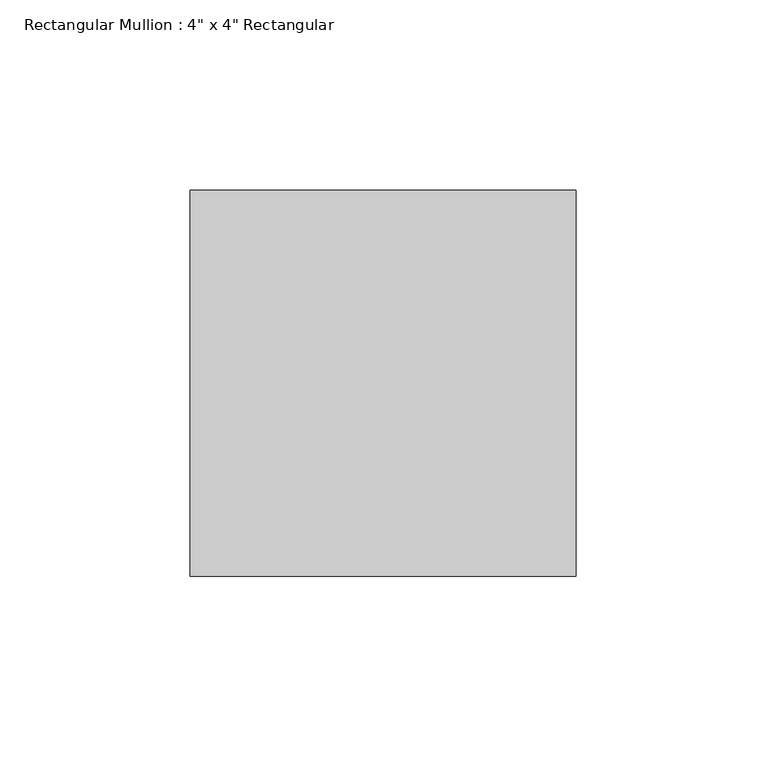
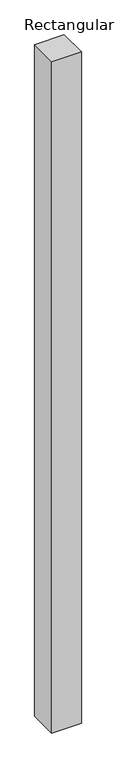
"""IFC4 building model written with IfcOpenShell, lengths in millimetres: member geometry."""

import ifcopenshell
import ifcopenshell.guid

model = None  # the IFC model being written
_history = None  # IfcOwnerHistory: only IFC2X3 demands one
_inside = {}  # id of a spatial element -> (the spatial element, [elements in it])
_under = {}  # id of a project, library or spatial element -> (it, [spatial elements below it])
_declared = {}  # id of a project -> (the project, [libraries it declares])
_typed = {}  # id of a type object -> (the type object, [elements of that type])
_made_of = {}  # id of a material, layer set ... -> (it, [elements and type objects made of it])


def new_model(schema):
    """Start an empty IFC model of exactly this schema.

    Asked for "IFC4X3", IfcOpenShell would pick the latest addendum, in which some entities
    have other attributes; the version numbers below select the first issue.
    IFC2X3 requires an IfcOwnerHistory on every rooted entity: one is made here for all.
    """
    global model, _history
    if schema == "IFC4X3":
        model = ifcopenshell.file(schema_version=(4, 3, 0, 0))
    else:
        model = ifcopenshell.file(schema=schema)
    _inside.clear()
    _under.clear()
    _declared.clear()
    _typed.clear()
    _made_of.clear()
    _history = None
    if model.schema == "IFC2X3":
        org = make("IfcOrganization", Name="unknown")
        user = make(
            "IfcPersonAndOrganization",
            ThePerson=make("IfcPerson", FamilyName="unknown"),
            TheOrganization=org,
        )
        app = make(
            "IfcApplication",
            ApplicationDeveloper=org,
            Version="unknown",
            ApplicationFullName="unknown",
            ApplicationIdentifier="unknown",
        )
        _history = make(
            "IfcOwnerHistory",
            OwningUser=user,
            OwningApplication=app,
            ChangeAction="ADDED",
            CreationDate=0,
        )
    return model


def make(cls, **values):
    """One entity of the class cls with the attributes given. An attribute that is None is left unset."""
    return model.create_entity(
        cls, **{name: value for name, value in values.items() if value is not None}
    )


def rooted(cls, **values):
    """An entity with a GlobalId (a new one), such as an element, a storey or a relation."""
    return make(cls, GlobalId=ifcopenshell.guid.new(), OwnerHistory=_history, **values)


def si_unit(unit_type, name, prefix=None):
    """IfcSIUnit, for example si_unit("LENGTHUNIT", "METRE", prefix="MILLI")."""
    return make("IfcSIUnit", UnitType=unit_type, Prefix=prefix, Name=name)


def assignment(units):
    """IfcUnitAssignment: the units of a project."""
    return None if units is None else make("IfcUnitAssignment", Units=units)


def point(xyz):
    """IfcCartesianPoint."""
    return None if xyz is None else make("IfcCartesianPoint", Coordinates=xyz)


def direction(xyz):
    """IfcDirection."""
    return None if xyz is None else make("IfcDirection", DirectionRatios=xyz)


def frame(location, z_axis=None, x_axis=None):
    """IfcAxis2Placement3D, a coordinate frame: its origin and axes. An axis left out is left unset."""
    return make(
        "IfcAxis2Placement3D",
        Location=point(location),
        Axis=direction(z_axis),
        RefDirection=direction(x_axis),
    )


def origin():
    """The frame at (0, 0, 0) with its axes left unset."""
    return frame((0.0, 0.0, 0.0))


def place(relative_to, where):
    """IfcLocalPlacement: puts the frame where relative to a parent placement (None: the world)."""
    return make(
        "IfcLocalPlacement", PlacementRelTo=relative_to, RelativePlacement=where
    )


def context(
    kind, dimensions, precision=None, world=None, true_north=None, identifier=None
):
    """IfcGeometricRepresentationContext, for example the 3D "Model" context."""
    return make(
        "IfcGeometricRepresentationContext",
        ContextIdentifier=identifier,
        ContextType=kind,
        CoordinateSpaceDimension=dimensions,
        Precision=precision,
        WorldCoordinateSystem=world,
        TrueNorth=true_north,
    )


def project(units=None, contexts=None):
    """IfcProject with its units and contexts."""
    return rooted(
        "IfcProject",
        Name="project",
        RepresentationContexts=contexts,
        UnitsInContext=assignment(units),
    )


def spatial(cls, under=None, at=None, **own):
    """A site, building, storey or space (cls), placed at a placement, below another one or the project."""
    s = rooted(cls, ObjectPlacement=at, **own)
    if under is not None:
        _under.setdefault(under.id(), (under, []))[1].append(s)
    return s


def polyline(points):
    """IfcPolyline through the points."""
    return make("IfcPolyline", Points=[point(p) for p in points])


def outline(outer, holes=None, kind="AREA"):
    """IfcArbitraryClosedProfileDef: a profile drawn as a closed curve; with holes, ...WithVoids."""
    if holes is None:
        return make("IfcArbitraryClosedProfileDef", ProfileType=kind, OuterCurve=outer)
    return make(
        "IfcArbitraryProfileDefWithVoids",
        ProfileType=kind,
        OuterCurve=outer,
        InnerCurves=holes,
    )


def extrude(swept, where, along, depth):
    """IfcExtrudedAreaSolid: the profile swept, set in the frame where, extruded along a direction by depth."""
    return make(
        "IfcExtrudedAreaSolid",
        SweptArea=swept,
        Position=where,
        ExtrudedDirection=direction(along),
        Depth=depth,
    )


def shape(context_of_items, identifier, shape_type, items):
    """IfcShapeRepresentation: the items that make up one representation, for example the "Body"."""
    return make(
        "IfcShapeRepresentation",
        ContextOfItems=context_of_items,
        RepresentationIdentifier=identifier,
        RepresentationType=shape_type,
        Items=items,
    )


def source(mapping_origin, context_of_items, identifier, shape_type, items):
    """IfcRepresentationMap: a shape defined once, which mapped items show again and again."""
    return make(
        "IfcRepresentationMap",
        MappingOrigin=mapping_origin,
        MappedRepresentation=shape(context_of_items, identifier, shape_type, items),
    )


def transform(
    local_origin,
    x_axis=None,
    y_axis=None,
    z_axis=None,
    scale=None,
    scale2=None,
    scale3=None,
    uniform=True,
):
    """IfcCartesianTransformationOperator3D, or its non-uniform kind. x_axis, y_axis, z_axis: its Axis1, 2, 3."""
    if uniform:
        return make(
            "IfcCartesianTransformationOperator3D",
            Axis1=direction(x_axis),
            Axis2=direction(y_axis),
            LocalOrigin=point(local_origin),
            Scale=scale,
            Axis3=direction(z_axis),
        )
    return make(
        "IfcCartesianTransformationOperator3DnonUniform",
        Axis1=direction(x_axis),
        Axis2=direction(y_axis),
        LocalOrigin=point(local_origin),
        Scale=scale,
        Axis3=direction(z_axis),
        Scale2=scale2,
        Scale3=scale3,
    )


def mapped(mapping_source, mapping_target):
    """IfcMappedItem: shows the shape of a source again, moved by a transform."""
    return make(
        "IfcMappedItem", MappingSource=mapping_source, MappingTarget=mapping_target
    )


def made_of(thing, what):
    """Note that an element or type object is made of a material, layer set ...; save() writes the relation."""
    if what is not None:
        _made_of.setdefault(what.id(), (what, []))[1].append(thing)
    return thing


def element(
    cls,
    number,
    at=None,
    inside=None,
    cuts=None,
    type_object=None,
    material=None,
    context=None,
    identifier="Body",
    shape_type=None,
    held_by="IfcProductDefinitionShape",
    body=None,
    shapes=None,
    **own,
):
    """One element of the class cls, such as IfcWall. Its Tag is "e" and its number.

    at: its placement. inside: the storey or other place that contains it. cuts: it is an
    opening in that element (IfcRelVoidsElement). A single representation is given by context,
    identifier, shape_type and body (its items); several are given by shapes. held_by: the class
    of the entity that holds the representations. save() writes the other relations.
    """
    e = rooted(cls, Tag="e%d" % number, ObjectPlacement=at, **own)
    if body is not None:
        shapes = [shape(context, identifier, shape_type, body)]
    if shapes is not None:
        e.Representation = make(held_by, Representations=shapes)
    if inside is not None:
        _inside.setdefault(inside.id(), (inside, []))[1].append(e)
    if cuts is not None:
        rooted(
            "IfcRelVoidsElement", RelatingBuildingElement=cuts, RelatedOpeningElement=e
        )
    if type_object is not None:
        _typed.setdefault(type_object.id(), (type_object, []))[1].append(e)
    return made_of(e, material)


def aggregate(whole, parts):
    """IfcRelAggregates: a whole, such as a stair, and the parts it consists of."""
    return rooted("IfcRelAggregates", RelatingObject=whole, RelatedObjects=parts)


def save(model, path):
    """Write the relations noted so far, then the file.

    IfcRelAggregates (storeys below a building ...), IfcRelContainedInSpatialStructure (elements
    in a storey), IfcRelDefinesByType, IfcRelAssociatesMaterial and IfcRelDeclares: one each for
    every whole, place, type object, material and project.
    """
    for whole, parts in _under.values():
        aggregate(whole, parts)
    for where, things in _inside.values():
        rooted(
            "IfcRelContainedInSpatialStructure",
            RelatedElements=things,
            RelatingStructure=where,
        )
    for kind, things in _typed.values():
        rooted("IfcRelDefinesByType", RelatedObjects=things, RelatingType=kind)
    for what, things in _made_of.values():
        rooted("IfcRelAssociatesMaterial", RelatedObjects=things, RelatingMaterial=what)
    for by, libraries in _declared.values():
        rooted("IfcRelDeclares", RelatingContext=by, RelatedDefinitions=libraries)
    model.write(path)


def member_5080aeea(model_context):
    return source(origin(), model_context, "Body", "SweptSolid", [
        extrude(outline(polyline([(50.8, 50.8), (50.8, -50.8), (-50.8, -50.8), (-50.8, 50.8), (50.8, 50.8)])), frame((0.0, 0.0, -2438.4), z_axis=(0.0, 0.0, 1.0), x_axis=(1.0, 0.0, 0.0)), (0.0, 0.0, 1.0), 2438.4),
    ])


if __name__ == "__main__":
    model = new_model("IFC4")
    model_context = context("Model", 3, world=origin())
    ifc_project = project(units=[si_unit("LENGTHUNIT", "METRE", prefix="MILLI")], contexts=[model_context])
    site = spatial("IfcSite", under=ifc_project)
    building = spatial("IfcBuilding", under=site)
    placement = place(None, origin())
    member_shape = member_5080aeea(model_context)
    element("IfcMember", 1, ObjectType="Rectangular Mullion : 4\" x 4\" Rectangular", at=placement, inside=building, context=model_context, shape_type="MappedRepresentation", body=[
        mapped(member_shape, transform((0.0, 0.0, 0.0), x_axis=(1.0, 0.0, 0.0), y_axis=(0.0, 1.0, 0.0), z_axis=(0.0, 0.0, 1.0))),
    ])
    save(model, "model.ifc")
